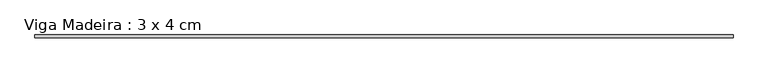
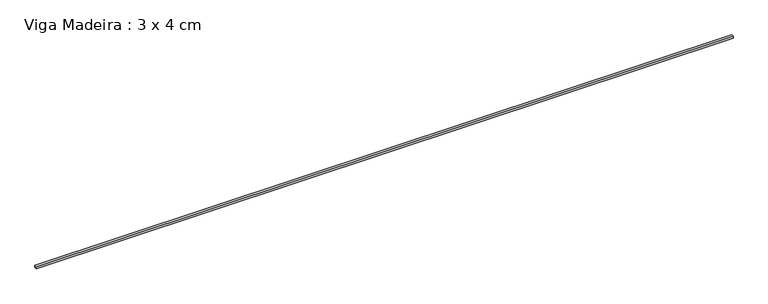
"""IFC4 building model written with IfcOpenShell, lengths in millimetres: beam geometry, Viga Madeira : 3 x 4 cm."""

from ifc_helpers import new_model, si_unit, frame, origin, place, context, project, spatial, polyline, outline, extrude, source, transform, mapped, element, save


def viga_madeira_3_x_4_cm_4028b56d(model_context):
    return source(origin(), model_context, "Body", "SweptSolid", [
        extrude(outline(polyline([(5096.3906757, 20.0), (5096.3906757, -20.0), (-5096.3906757, -20.0), (-5096.3906757, 20.0), (5096.3906757, 20.0)])), frame((0.0, 0.0, -15.0), z_axis=(0.0, 0.0, 1.0), x_axis=(1.0, 0.0, 0.0)), (0.0, 0.0, 1.0), 30.0),
    ])


if __name__ == "__main__":
    model = new_model("IFC4")
    model_context = context("Model", 3, world=origin())
    ifc_project = project(units=[si_unit("LENGTHUNIT", "METRE", prefix="MILLI")], contexts=[model_context])
    site = spatial("IfcSite", under=ifc_project)
    building = spatial("IfcBuilding", under=site)
    placement = place(None, origin())
    viga_madeira_3_x_4_cm_shape = viga_madeira_3_x_4_cm_4028b56d(model_context)
    element("IfcBeam", 1, ObjectType="Viga Madeira : 3 x 4 cm", at=placement, inside=building, context=model_context, shape_type="MappedRepresentation", body=[
        mapped(viga_madeira_3_x_4_cm_shape, transform((0.0, 0.0, 0.0), x_axis=(1.0, 0.0, 0.0), y_axis=(0.0, 1.0, 0.0), z_axis=(0.0, 0.0, 1.0))),
    ])
    save(model, "model.ifc")
